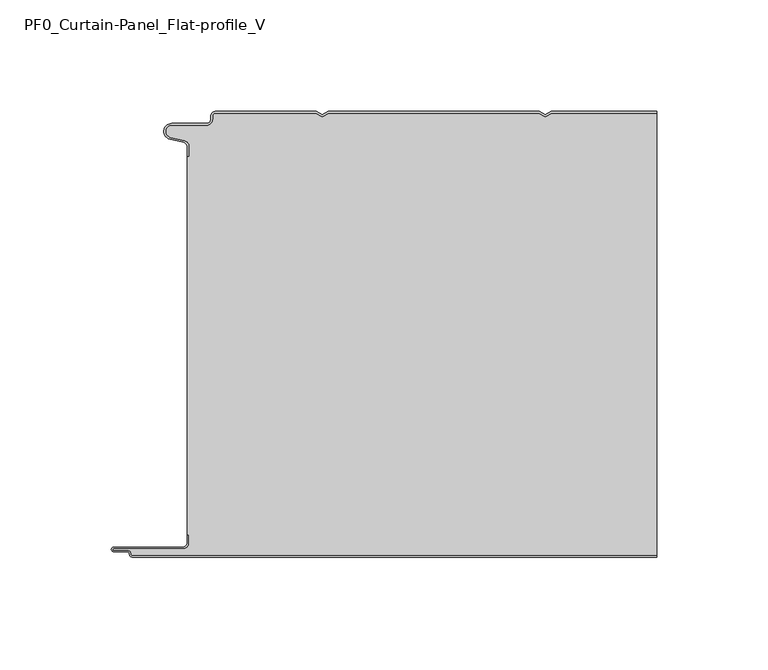
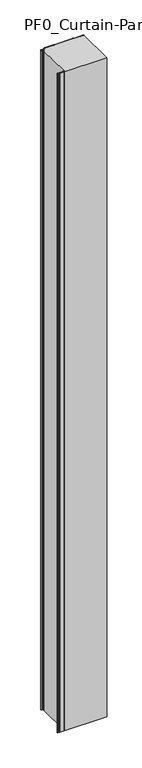
"""IFC4 building model written with IfcOpenShell, lengths in millimetres: plate geometry, PF0_Curtain-Panel_Flat-profile_V."""

from ifc_helpers import new_model, si_unit, point, frame_2d, origin, origin_with_axes, place, context, project, spatial, polyline, circle_curve, trimmed, segment, composite_curve, outline, extrude, source, transform, mapped, element, save


def pf0_curtain_panel_flat_profile_v_d8f4c633(model_context):
    return source(origin(), model_context, "Body", "SweptSolid", [
        extrude(outline(composite_curve([segment(trimmed(circle_curve(frame_2d((-102.0, -15.878557)), 2.0), [point((-100.0, -15.878557))], [point((-101.5500978, -13.9298169))], True, "CARTESIAN"), True, "CONTINUOUS"), segment(polyline([(-101.5500978, -13.9298169), (-107.7098239, -12.507732)]), True, "CONTINUOUS"), segment(trimmed(circle_curve(frame_2d((-106.9, -9.0)), 3.6), [point((-107.7098239, -12.507732))], [point((-106.9, -5.4))], False, "CARTESIAN"), True, "CONTINUOUS"), segment(polyline([(-106.9, -5.4), (-91.4, -5.4)]), True, "CONTINUOUS"), segment(trimmed(circle_curve(frame_2d((-91.4, -3.4)), 2.0), [point((-91.4, -5.4))], [point((-89.4, -3.4))], True, "CARTESIAN"), True, "CONTINUOUS"), segment(polyline([(-89.4, -3.4), (-89.4, -2.0)]), True, "CONTINUOUS"), segment(trimmed(circle_curve(frame_2d((-87.4, -2.0)), 2.0), [point((-89.4, -2.0))], [point((-87.4, 0.0))], False, "CARTESIAN"), True, "CONTINUOUS"), segment(polyline([(-87.4, 0.0), (-42.0999995, 0.0), (-39.4, -1.5588455), (-36.7000005, 0.0), (57.9000005, 0.0), (60.6, -1.5588455), (63.2999995, 0.0), (110.6, 0.0), (110.6, -0.8), (63.5143588, -0.8), (60.6, -2.482606), (57.6856412, -0.8), (-36.4856412, -0.8), (-39.4, -2.482606), (-42.3143588, -0.8), (-87.4, -0.8)]), True, "CONTINUOUS"), segment(trimmed(circle_curve(frame_2d((-87.4, -2.0)), 1.2), [point((-87.4, -0.8))], [point((-88.6, -2.0))], True, "CARTESIAN"), True, "CONTINUOUS"), segment(polyline([(-88.6, -2.0), (-88.6, -3.4)]), True, "CONTINUOUS"), segment(trimmed(circle_curve(frame_2d((-91.4, -3.4)), 2.8), [point((-88.6, -3.4))], [point((-91.4, -6.2))], False, "CARTESIAN"), True, "CONTINUOUS"), segment(polyline([(-91.4, -6.2), (-106.9, -6.2)]), True, "CONTINUOUS"), segment(trimmed(circle_curve(frame_2d((-106.9, -9.0)), 2.8), [point((-106.9, -6.2))], [point((-107.529863, -11.7282362))], True, "CARTESIAN"), True, "CONTINUOUS"), segment(polyline([(-107.529863, -11.7282362), (-101.370137, -13.150321)]), True, "CONTINUOUS"), segment(trimmed(circle_curve(frame_2d((-102.0, -15.878557)), 2.8), [point((-101.370137, -13.150321))], [point((-99.2, -15.878557))], False, "CARTESIAN"), True, "CONTINUOUS"), segment(polyline([(-99.2, -15.878557), (-99.2, -20.0), (-100.0, -20.0), (-100.0, -15.878557)]), True, "CONTINUOUS")], self_intersect=False)), origin_with_axes(), (0.0, 0.0, 1.0), 3500.0),
        extrude(outline(composite_curve([segment(polyline([(-99.2, -190.0), (-100.0, -190.0), (-100.0, -20.0), (-99.2, -20.0), (-99.2, -15.878557)]), True, "CONTINUOUS"), segment(trimmed(circle_curve(frame_2d((-102.0, -15.878557)), 2.8), [point((-99.2, -15.878557))], [point((-101.370137, -13.1503208))], True, "CARTESIAN"), True, "CONTINUOUS"), segment(polyline([(-101.370137, -13.1503208), (-107.529863, -11.7282362)]), True, "CONTINUOUS"), segment(trimmed(circle_curve(frame_2d((-106.9, -9.0)), 2.8), [point((-107.529863, -11.7282362))], [point((-106.9, -6.2))], False, "CARTESIAN"), True, "CONTINUOUS"), segment(polyline([(-106.9, -6.2), (-91.4, -6.2)]), True, "CONTINUOUS"), segment(trimmed(circle_curve(frame_2d((-91.4, -3.4)), 2.8), [point((-91.4, -6.2))], [point((-88.6, -3.4))], True, "CARTESIAN"), True, "CONTINUOUS"), segment(polyline([(-88.6, -3.4), (-88.6, -2.0)]), True, "CONTINUOUS"), segment(trimmed(circle_curve(frame_2d((-87.4, -2.0)), 1.2), [point((-88.6, -2.0))], [point((-87.4, -0.8))], False, "CARTESIAN"), True, "CONTINUOUS"), segment(polyline([(-87.4, -0.8), (-42.3143588, -0.8), (-39.4, -2.482606), (-36.4856412, -0.8), (57.6856412, -0.8), (60.6, -2.482606), (63.5143588, -0.8), (110.6, -0.8), (110.6, -199.2), (-124.4, -199.2)]), True, "CONTINUOUS"), segment(trimmed(circle_curve(frame_2d((-124.4, -198.4)), 0.8), [point((-124.4, -199.2))], [point((-125.2, -198.4))], False, "CARTESIAN"), True, "CONTINUOUS"), segment(trimmed(circle_curve(frame_2d((-126.9, -198.6133333)), 1.7133333), [point((-125.2, -198.4))], [point((-126.9, -196.9))], True, "CARTESIAN"), True, "CONTINUOUS"), segment(polyline([(-126.9, -196.9), (-132.8700312, -196.9)]), True, "CONTINUOUS"), segment(trimmed(circle_curve(frame_2d((-132.8700312, -196.6)), 0.3), [point((-132.8700312, -196.9))], [point((-132.8700312, -196.3))], False, "CARTESIAN"), True, "CONTINUOUS"), segment(polyline([(-132.8700312, -196.3), (-102.0, -196.3)]), True, "CONTINUOUS"), segment(trimmed(circle_curve(frame_2d((-102.0, -193.5)), 2.8), [point((-102.0, -196.3))], [point((-99.2, -193.5))], True, "CARTESIAN"), True, "CONTINUOUS"), segment(polyline([(-99.2, -193.5), (-99.2, -190.0)]), True, "CONTINUOUS")], self_intersect=False)), origin_with_axes(), (0.0, 0.0, 1.0), 3500.0),
        extrude(outline(composite_curve([segment(polyline([(-100.0, -190.0), (-99.2, -190.0), (-99.2, -193.5)]), True, "CONTINUOUS"), segment(trimmed(circle_curve(frame_2d((-102.0, -193.5)), 2.8), [point((-99.2, -193.5))], [point((-102.0, -196.3))], False, "CARTESIAN"), True, "CONTINUOUS"), segment(polyline([(-102.0, -196.3), (-132.8700312, -196.3)]), True, "CONTINUOUS"), segment(trimmed(circle_curve(frame_2d((-132.8700312, -196.6)), 0.3), [point((-132.8700312, -196.3))], [point((-132.8700312, -196.9))], True, "CARTESIAN"), True, "CONTINUOUS"), segment(polyline([(-132.8700312, -196.9), (-126.9, -196.9)]), True, "CONTINUOUS"), segment(trimmed(circle_curve(frame_2d((-126.9, -198.6133333)), 1.7133333), [point((-126.9, -196.9))], [point((-125.2, -198.4))], False, "CARTESIAN"), True, "CONTINUOUS"), segment(trimmed(circle_curve(frame_2d((-124.4, -198.4)), 0.8), [point((-125.2, -198.4))], [point((-124.4, -199.2))], True, "CARTESIAN"), True, "CONTINUOUS"), segment(polyline([(-124.4, -199.2), (110.6, -199.2), (110.6, -200.0), (-124.4, -200.0)]), True, "CONTINUOUS"), segment(trimmed(circle_curve(frame_2d((-124.4, -198.4)), 1.6), [point((-124.4, -200.0))], [point((-126.0, -198.4))], False, "CARTESIAN"), True, "CONTINUOUS"), segment(trimmed(circle_curve(frame_2d((-126.9, -198.4)), 0.9), [point((-126.0, -198.4))], [point((-126.9, -197.5))], True, "CARTESIAN"), True, "CONTINUOUS"), segment(polyline([(-126.9, -197.5), (-133.0, -197.5)]), True, "CONTINUOUS"), segment(trimmed(circle_curve(frame_2d((-133.0, -196.5)), 1.0), [point((-133.0, -197.5))], [point((-133.0, -195.5))], False, "CARTESIAN"), True, "CONTINUOUS"), segment(polyline([(-133.0, -195.5), (-102.0, -195.5)]), True, "CONTINUOUS"), segment(trimmed(circle_curve(frame_2d((-102.0, -193.5)), 2.0), [point((-102.0, -195.5))], [point((-100.0, -193.5))], True, "CARTESIAN"), True, "CONTINUOUS"), segment(polyline([(-100.0, -193.5), (-100.0, -190.0)]), True, "CONTINUOUS")], self_intersect=False)), origin_with_axes(), (0.0, 0.0, 1.0), 3500.0),
    ])


if __name__ == "__main__":
    model = new_model("IFC4")
    model_context = context("Model", 3, world=origin())
    ifc_project = project(units=[si_unit("LENGTHUNIT", "METRE", prefix="MILLI")], contexts=[model_context])
    site = spatial("IfcSite", under=ifc_project)
    building = spatial("IfcBuilding", under=site)
    placement = place(None, origin())
    pf0_curtain_panel_flat_profile_v_shape = pf0_curtain_panel_flat_profile_v_d8f4c633(model_context)
    element("IfcPlate", 1, ObjectType="PF0_Curtain-Panel_Flat-profile_V", at=placement, inside=building, context=model_context, shape_type="MappedRepresentation", body=[
        mapped(pf0_curtain_panel_flat_profile_v_shape, transform((0.0, 0.0, 0.0), x_axis=(1.0, 0.0, 0.0), y_axis=(0.0, 1.0, 0.0), z_axis=(0.0, 0.0, 1.0))),
    ])
    save(model, "model.ifc")
